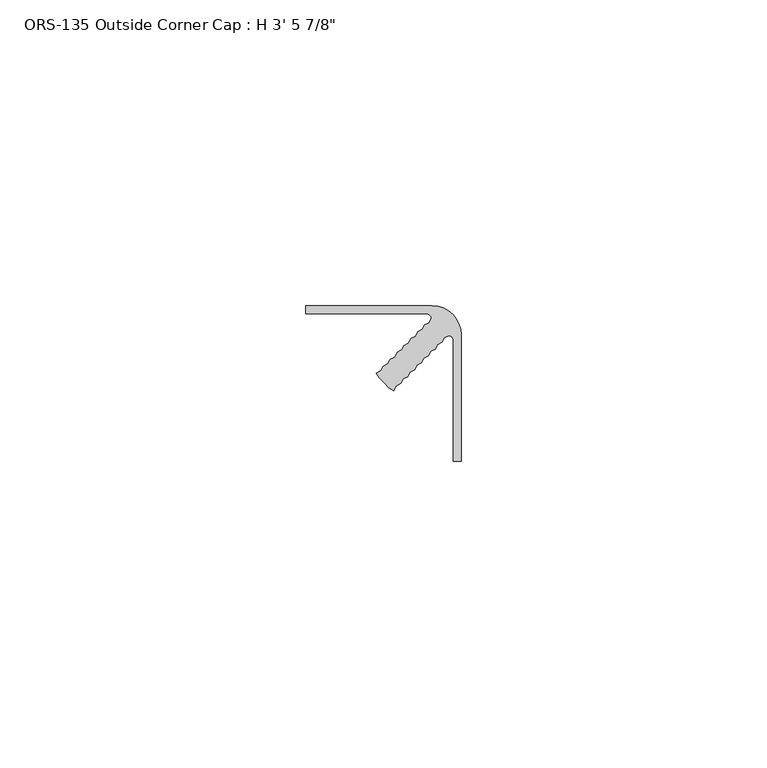
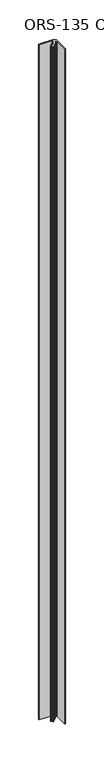
"""IFC4 building model written with IfcOpenShell, lengths in millimetres: proxy geometry."""

from ifc_helpers import new_model, si_unit, point, frame_2d, origin, origin_with_axes, place, context, project, spatial, polyline, circle_curve, trimmed, segment, composite_curve, outline, extrude, source, transform, mapped, element, save


def proxy_ddb097d3(model_context):
    return source(origin(), model_context, "Body", "SweptSolid", [
        extrude(outline(composite_curve([segment(polyline([(-12.6059833, -12.6059833), (-13.4171282, -11.7948384), (-13.8620216, -11.0242606), (-13.1296487, -10.651098), (-12.7055743, -9.8678134), (-11.9732015, -9.4946508), (-11.6000389, -8.7622779), (-10.867666, -8.3891153), (-10.4435916, -7.6058307), (-9.7112188, -7.2326681), (-9.3380562, -6.5002952), (-8.6056833, -6.1271326), (-8.1816089, -5.343848), (-7.4492361, -4.9706854), (-7.0760735, -4.2383125), (-6.3437006, -3.8651499), (-5.970538, -3.1327771), (-5.2381652, -2.7596145), (-4.8650026, -2.0272416)]), True, "CONTINUOUS"), segment(trimmed(circle_curve(frame_2d((-5.7719359, -2.1846401)), 0.9204903), [point((-4.8650026, -2.0272416))], [point((-5.8755496, -1.27))], True, "CARTESIAN"), True, "CONTINUOUS"), segment(polyline([(-5.8755496, -1.27), (-25.4, -1.27), (-25.4, 0.0), (-4.7752, 0.0)]), True, "CONTINUOUS"), segment(trimmed(circle_curve(frame_2d((-4.7752, -4.7752)), 4.7752), [point((-4.7752, 0.0))], [point((-1.3986237, -1.3986237))], False, "CARTESIAN"), True, "CONTINUOUS"), segment(trimmed(circle_curve(frame_2d((-4.7752, -4.7752)), 4.7752), [point((-1.3986237, -1.3986237))], [point((0.0, -4.7752))], False, "CARTESIAN"), True, "CONTINUOUS"), segment(polyline([(0.0, -4.7752), (0.0, -25.4), (-1.27, -25.4), (-1.27, -5.8755496)]), True, "CONTINUOUS"), segment(trimmed(circle_curve(frame_2d((-2.1846401, -5.7719359)), 0.9204903), [point((-1.27, -5.8755496))], [point((-2.0272416, -4.8650026))], True, "CARTESIAN"), True, "CONTINUOUS"), segment(polyline([(-2.0272416, -4.8650026), (-2.7596145, -5.2381652), (-3.1327771, -5.970538), (-3.8651499, -6.3437006), (-4.2383125, -7.0760735), (-4.9706854, -7.4492361), (-5.343848, -8.1816089), (-6.1271326, -8.6056833), (-6.5002952, -9.3380562), (-7.2326681, -9.7112188), (-7.6058307, -10.4435916), (-8.3891153, -10.867666), (-8.7622779, -11.6000389), (-9.4946508, -11.9732015), (-9.8678134, -12.7055743), (-10.651098, -13.1296487), (-11.0242606, -13.8620215), (-11.7948384, -13.4171282), (-12.6059833, -12.6059833)]), True, "CONTINUOUS")], self_intersect=False)), origin_with_axes(), (0.0, 0.0, 1.0), 1063.625),
    ])


if __name__ == "__main__":
    model = new_model("IFC4")
    model_context = context("Model", 3, world=origin())
    ifc_project = project(units=[si_unit("LENGTHUNIT", "METRE", prefix="MILLI")], contexts=[model_context])
    site = spatial("IfcSite", under=ifc_project)
    building = spatial("IfcBuilding", under=site)
    placement = place(None, origin())
    proxy_shape = proxy_ddb097d3(model_context)
    element("IfcBuildingElementProxy", 1, Name="ORS-135 Outside Corner Cap : H 3' 5 7/8\"", ObjectType="ORS-135 Outside Corner Cap : H 3' 5 7/8\"", at=placement, inside=building, context=model_context, shape_type="MappedRepresentation", body=[
        mapped(proxy_shape, transform((0.0, 0.0, 0.0), x_axis=(1.0, 0.0, 0.0), y_axis=(0.0, 1.0, 0.0), z_axis=(0.0, 0.0, 1.0))),
    ])
    save(model, "model.ifc")
